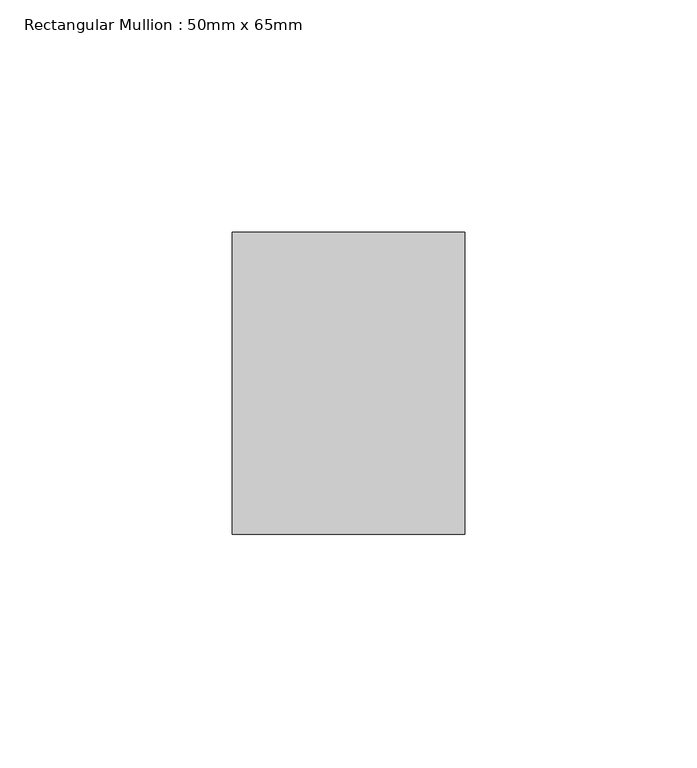
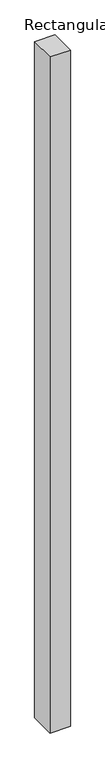
"""IFC4 building model written with IfcOpenShell, lengths in millimetres: member geometry, Rectangular Mullion : 50mm x 65mm."""

from ifc_helpers import new_model, si_unit, frame, origin, place, context, project, spatial, polyline, outline, extrude, source, transform, mapped, element, save


def rectangular_mullion_50mm_x_65mm_bf586392(model_context):
    return source(origin(), model_context, "Body", "SweptSolid", [
        extrude(outline(polyline([(25.0, 32.5), (25.0, -32.5), (-25.0, -32.5), (-25.0, 32.5), (25.0, 32.5)])), frame((0.0, 0.0, -1754.4954733), z_axis=(0.0, 0.0, 1.0), x_axis=(1.0, 0.0, 0.0)), (0.0, 0.0, 1.0), 1754.4954733),
    ])


if __name__ == "__main__":
    model = new_model("IFC4")
    model_context = context("Model", 3, world=origin())
    ifc_project = project(units=[si_unit("LENGTHUNIT", "METRE", prefix="MILLI")], contexts=[model_context])
    site = spatial("IfcSite", under=ifc_project)
    building = spatial("IfcBuilding", under=site)
    placement = place(None, origin())
    rectangular_mullion_50mm_x_65mm_shape = rectangular_mullion_50mm_x_65mm_bf586392(model_context)
    element("IfcMember", 1, ObjectType="Rectangular Mullion : 50mm x 65mm", at=placement, inside=building, context=model_context, shape_type="MappedRepresentation", body=[
        mapped(rectangular_mullion_50mm_x_65mm_shape, transform((0.0, 0.0, 0.0), x_axis=(1.0, 0.0, 0.0), y_axis=(0.0, 1.0, 0.0), z_axis=(0.0, 0.0, 1.0))),
    ])
    save(model, "model.ifc")
